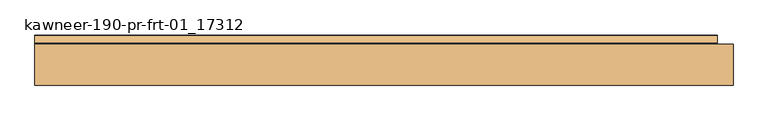
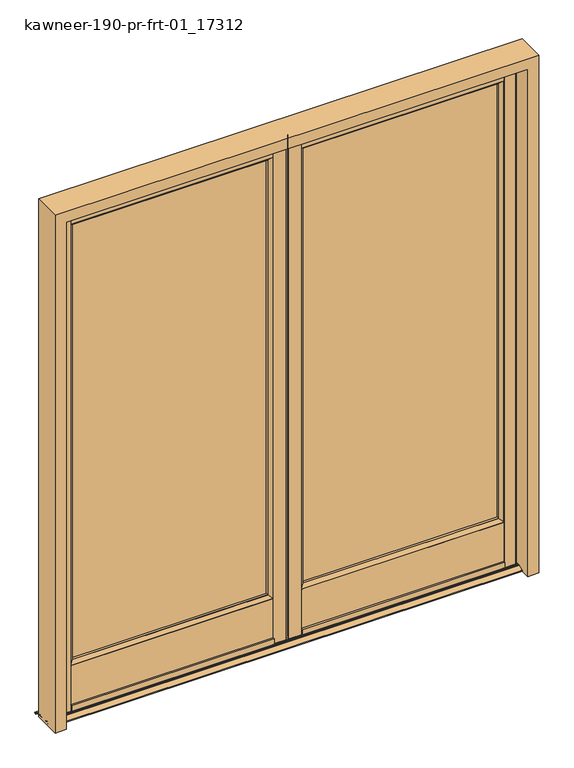
"""IFC4 building model written with IfcOpenShell, lengths in millimetres: door geometry, kawneer-190-pr-frt-01_17312."""

from ifc_helpers import new_model, si_unit, point, frame, frame_2d, origin, place, context, project, spatial, polyline, circle_curve, trimmed, segment, composite_curve, outline, extrude, source, transform, mapped, element, save


def kawneer_190_pr_frt_01_17312_b1ca8411(model_context):
    return source(origin(), model_context, "Body", "SweptSolid", [
        extrude(outline(composite_curve([segment(polyline([(-1.759626, 38.1), (-6.4969276, 38.1)]), True, "CONTINUOUS"), segment(trimmed(circle_curve(frame_2d((-8.096926, 38.0746)), 1.6002), [point((-6.4969276, 38.1))], [point((-9.697126, 38.0746))], True, "CARTESIAN"), True, "CONTINUOUS"), segment(polyline([(-9.697126, 38.0746), (-9.697126, 25.4254)]), True, "CONTINUOUS"), segment(trimmed(circle_curve(frame_2d((-8.096926, 25.4254)), 1.6002), [point((-9.697126, 25.4254))], [point((-6.4969276, 25.4))], True, "CARTESIAN"), True, "CONTINUOUS"), segment(polyline([(-6.4969276, 25.4), (-1.759626, 25.4)]), True, "CONTINUOUS"), segment(trimmed(circle_curve(frame_2d((-60.152874, 31.75)), 58.7375), [point((-1.759626, 25.4))], [point((-5.7824267, 9.5250508))], False, "CARTESIAN"), True, "CONTINUOUS"), segment(polyline([(-5.7824267, 9.5250508), (-55.734626, 9.5250508), (-55.734626, 11.1729271), (-69.196626, 22.3393), (-69.196626, 23.8923521)]), True, "CONTINUOUS"), segment(trimmed(circle_curve(frame_2d((-76.5727885, 21.5026898)), 7.7535965), [point((-69.196626, 23.8923521))], [point((-73.3947437, 28.5750508))], True, "CARTESIAN"), True, "CONTINUOUS"), segment(polyline([(-73.3947437, 28.5750508), (-60.497126, 28.5750508), (-60.497126, 34.9249492), (-73.3947437, 34.9249492)]), True, "CONTINUOUS"), segment(trimmed(circle_curve(frame_2d((-76.5727885, 41.9973102)), 7.7535965), [point((-73.3947437, 34.9249492))], [point((-69.196626, 39.6076479))], True, "CARTESIAN"), True, "CONTINUOUS"), segment(polyline([(-69.196626, 39.6076479), (-69.196626, 41.1607), (-55.734626, 52.3270729), (-55.734626, 53.9750508), (-5.7824682, 53.9750508)]), True, "CONTINUOUS"), segment(trimmed(circle_curve(frame_2d((-60.152874, 31.75)), 58.7375), [point((-5.7824682, 53.9750508))], [point((-1.759626, 38.1))], False, "CARTESIAN"), True, "CONTINUOUS")], self_intersect=False)), frame((0.0, 0.0, 17.4625), z_axis=(0.0, 0.0, 1.0), x_axis=(1.0, 0.0, 0.0)), (0.0, 0.0, 1.0), 2116.1375),
        extrude(outline(composite_curve([segment(trimmed(circle_curve(frame_2d((60.152874, 31.75)), 58.7375), [point((1.759626, 38.1))], [point((5.7824682, 53.9750508))], False, "CARTESIAN"), True, "CONTINUOUS"), segment(polyline([(5.7824682, 53.9750508), (55.734626, 53.9750508), (55.734626, 52.3270729), (69.196626, 41.1607), (69.196626, 39.6076479)]), True, "CONTINUOUS"), segment(trimmed(circle_curve(frame_2d((76.5727885, 41.9973102)), 7.7535965), [point((69.196626, 39.6076479))], [point((73.3947437, 34.9249492))], True, "CARTESIAN"), True, "CONTINUOUS"), segment(polyline([(73.3947437, 34.9249492), (60.497126, 34.9249492), (60.497126, 28.5750508), (73.3947437, 28.5750508)]), True, "CONTINUOUS"), segment(trimmed(circle_curve(frame_2d((76.5727885, 21.5026898)), 7.7535965), [point((73.3947437, 28.5750508))], [point((69.196626, 23.8923521))], True, "CARTESIAN"), True, "CONTINUOUS"), segment(polyline([(69.196626, 23.8923521), (69.196626, 22.3393), (55.734626, 11.1729271), (55.734626, 9.5250508), (5.7824267, 9.5250508)]), True, "CONTINUOUS"), segment(trimmed(circle_curve(frame_2d((60.152874, 31.75)), 58.7375), [point((5.7824267, 9.5250508))], [point((1.759626, 25.4))], False, "CARTESIAN"), True, "CONTINUOUS"), segment(polyline([(1.759626, 25.4), (6.4969276, 25.4)]), True, "CONTINUOUS"), segment(trimmed(circle_curve(frame_2d((8.096926, 25.4254)), 1.6002), [point((6.4969276, 25.4))], [point((9.697126, 25.4254))], True, "CARTESIAN"), True, "CONTINUOUS"), segment(polyline([(9.697126, 25.4254), (9.697126, 38.0746)]), True, "CONTINUOUS"), segment(trimmed(circle_curve(frame_2d((8.096926, 38.0746)), 1.6002), [point((9.697126, 38.0746))], [point((6.4969276, 38.1))], True, "CARTESIAN"), True, "CONTINUOUS"), segment(polyline([(6.4969276, 38.1), (1.759626, 38.1)]), True, "CONTINUOUS")], self_intersect=False)), frame((0.0, 0.0, 17.4625), z_axis=(0.0, 0.0, 1.0), x_axis=(1.0, 0.0, 0.0)), (0.0, 0.0, 1.0), 2116.1375),
        extrude(outline(composite_curve([segment(polyline([(-864.3938516, 53.9750508), (-864.3938516, 52.3270734), (-851.2187255, 41.1607508), (-851.2187255, 38.7647667), (-847.8229674, 34.9249492), (-859.9182255, 34.9249492), (-859.9182255, 28.5750508), (-847.851787, 28.5750508), (-851.2187255, 24.733766), (-851.2187255, 22.3393508), (-864.3938516, 11.172952), (-864.3938516, 9.4512074), (-911.2994948, 9.4512074)]), True, "CONTINUOUS"), segment(trimmed(circle_curve(frame_2d((-911.2994948, 14.1811209)), 4.7299135), [point((-911.2994948, 9.4512074))], [point((-916.0294083, 14.1811209))], False, "CARTESIAN"), True, "CONTINUOUS"), segment(polyline([(-916.0294083, 14.1811209), (-918.5227652, 52.7840713), (-918.5227652, 53.9750508), (-864.3938516, 53.9750508)]), True, "CONTINUOUS")], self_intersect=False)), frame((0.0, 0.0, 17.4625), z_axis=(0.0, 0.0, 1.0), x_axis=(1.0, 0.0, 0.0)), (0.0, 0.0, 1.0), 2116.1375),
        extrude(outline(composite_curve([segment(polyline([(864.3938516, 53.9750508), (918.36875, 53.9750508), (916.0599417, 14.2959337)]), True, "CONTINUOUS"), segment(trimmed(circle_curve(frame_2d((911.2890588, 14.2959337)), 4.7708829), [point((916.0599417, 14.2959337))], [point((911.2890588, 9.5250508))], False, "CARTESIAN"), True, "CONTINUOUS"), segment(polyline([(911.2890588, 9.5250508), (864.3938516, 9.5250508), (864.3938516, 12.6999492), (850.9318516, 22.3393508), (850.9318516, 24.733766), (847.5649131, 28.5750508), (864.3938516, 28.5750508), (864.3938516, 34.9249492), (847.5360934, 34.9249492), (850.9318516, 38.7647667), (850.9318516, 41.1607508), (864.3938516, 52.3270734), (864.3938516, 53.9750508)]), True, "CONTINUOUS")], self_intersect=False)), frame((0.0, 0.0, 17.4625), z_axis=(0.0, 0.0, 1.0), x_axis=(1.0, 0.0, 0.0)), (0.0, 0.0, 1.0), 2116.1375),
        extrude(outline(polyline([(0.0, 920.75), (0.0, 965.2), (2184.4, 965.2), (2184.4, -965.2), (0.0, -965.2), (0.0, -920.75), (2139.95, -920.75), (2139.95, 920.75), (0.0, 920.75)])), frame((0.0, -57.15, 0.0), z_axis=(0.0, 1.0, 0.0), x_axis=(0.0, 0.0, 1.0)), (0.0, 0.0, 1.0), 114.3),
        extrude(outline(polyline([(-60.497126, 28.5750508), (-859.6313516, 28.5750508), (-859.6313516, 34.9249492), (-60.497126, 34.9249492), (-60.497126, 28.5750508)])), frame((0.0, 0.0, 212.725), z_axis=(0.0, 0.0, 1.0), x_axis=(1.0, 0.0, 0.0)), (0.0, 0.0, 1.0), 1852.6126016),
        extrude(outline(polyline([(863.6, 28.5750508), (60.497126, 28.5750508), (60.497126, 34.9249492), (863.6, 34.9249492), (863.6, 28.5750508)])), frame((0.0, 0.0, 212.725), z_axis=(0.0, 0.0, 1.0), x_axis=(1.0, 0.0, 0.0)), (0.0, 0.0, 1.0), 1852.6126016),
        extrude(outline(polyline([(9.5250508, 2070.1001016), (9.5250508, 2133.6), (11.1729271, 2133.6), (11.1729271, 2111.375), (52.3270729, 2111.375), (52.3270729, 2133.6), (53.9750508, 2133.6), (53.9750508, 2070.1001016), (52.369004, 2070.1001016), (41.2026052, 2056.6381016), (38.7647667, 2056.6381016), (34.9249492, 2052.9504089), (34.9249492, 2065.3376016), (28.5750508, 2065.3376016), (28.5750508, 2053.2678495), (24.7299263, 2056.6381016), (22.3466587, 2056.6381016), (11.1802599, 2070.1001016), (9.5250508, 2070.1001016)])), frame((-864.3938516, 0.0, 0.0), z_axis=(1.0, 0.0, 0.0), x_axis=(0.0, 1.0, 0.0)), (0.0, 0.0, 1.0), 808.6592256),
        extrude(outline(polyline([(9.5250508, 2070.1001016), (9.5250508, 2133.6), (11.1729271, 2133.6), (11.1729271, 2111.375), (52.3270729, 2111.375), (52.3270729, 2133.6), (53.9750508, 2133.6), (53.9750508, 2070.1001016), (52.369004, 2070.1001016), (41.2026052, 2056.6381016), (38.7647667, 2056.6381016), (34.9249492, 2052.9504089), (34.9249492, 2065.3376016), (28.5750508, 2065.3376016), (28.5750508, 2053.2678495), (24.7299263, 2056.6381016), (22.3466587, 2056.6381016), (11.1802599, 2070.1001016), (9.5250508, 2070.1001016)])), frame((55.734626, 0.0, 0.0), z_axis=(1.0, 0.0, 0.0), x_axis=(0.0, 1.0, 0.0)), (0.0, 0.0, 1.0), 808.6592256),
        extrude(outline(composite_curve([segment(polyline([(53.9750508, 207.9625), (53.9750508, 17.4625), (51.1302508, 17.4625), (51.1302508, 35.7188008), (13.0302508, 35.7188008), (13.0302508, 17.4625), (9.5250508, 17.4625), (9.5250508, 20.2184), (7.7863094, 20.2184), (9.8766331, 14.8248489)]), True, "CONTINUOUS"), segment(trimmed(circle_curve(frame_2d((9.1997712, 14.5625244)), 0.7259174), [point((9.8766331, 14.8248489))], [point((8.5229094, 14.3002))], False, "CARTESIAN"), True, "CONTINUOUS"), segment(polyline([(8.5229094, 14.3002), (5.5003094, 20.2184), (3.4683094, 20.2184), (3.4683094, 42.6871902), (9.5250508, 44.3201352), (9.5250508, 207.9625), (11.454353, 207.9625), (22.6695508, 221.4833625), (23.5621013, 221.4833625)]), True, "CONTINUOUS"), segment(trimmed(circle_curve(frame_2d((21.172439, 228.859525)), 7.7535965), [point((23.5621013, 221.4833625))], [point((28.5750508, 226.5530998))], True, "CARTESIAN"), True, "CONTINUOUS"), segment(polyline([(28.5750508, 226.5530998), (28.5750508, 212.725), (34.9249492, 212.725), (34.9249492, 226.5530998)]), True, "CONTINUOUS"), segment(trimmed(circle_curve(frame_2d((42.327561, 228.859525)), 7.7535965), [point((34.9249492, 226.5530998))], [point((39.9378987, 221.4833625))], True, "CARTESIAN"), True, "CONTINUOUS"), segment(polyline([(39.9378987, 221.4833625), (41.4909508, 221.4833625), (52.3270734, 207.9625), (53.9750508, 207.9625)]), True, "CONTINUOUS")], self_intersect=False), holes=[composite_curve([segment(polyline([(50.8000508, 38.8938008), (50.8000508, 195.2879)]), True, "CONTINUOUS"), segment(trimmed(circle_curve(frame_2d((49.7306962, 198.4629)), 3.3502454), [point((50.8000508, 195.2879))], [point((46.3804508, 198.4629))], False, "CARTESIAN"), True, "CONTINUOUS"), segment(polyline([(46.3804508, 198.4629), (46.3804508, 203.2), (17.7800508, 203.2), (17.7800508, 198.4629)]), True, "CONTINUOUS"), segment(trimmed(circle_curve(frame_2d((14.4298054, 198.4629)), 3.3502454), [point((17.7800508, 198.4629))], [point((13.3604508, 195.2879))], False, "CARTESIAN"), True, "CONTINUOUS"), segment(polyline([(13.3604508, 195.2879), (13.3604508, 38.8938008), (50.8000508, 38.8938008)]), True, "CONTINUOUS")], self_intersect=False)]), frame((-864.3938516, 0.0, 0.0), z_axis=(1.0, 0.0, 0.0), x_axis=(0.0, 1.0, 0.0)), (0.0, 0.0, 1.0), 808.6592256),
        extrude(outline(composite_curve([segment(polyline([(53.9750508, 207.9625), (53.9750508, 17.4625), (51.1302508, 17.4625), (51.1302508, 35.7188008), (13.0302508, 35.7188008), (13.0302508, 17.4625), (9.5250508, 17.4625), (9.5250508, 20.2184), (7.7863094, 20.2184), (9.8766331, 14.8248489)]), True, "CONTINUOUS"), segment(trimmed(circle_curve(frame_2d((9.1997712, 14.5625244)), 0.7259174), [point((9.8766331, 14.8248489))], [point((8.5229094, 14.3002))], False, "CARTESIAN"), True, "CONTINUOUS"), segment(polyline([(8.5229094, 14.3002), (5.5003094, 20.2184), (3.4683094, 20.2184), (3.4683094, 42.6871902), (9.5250508, 44.3201352), (9.5250508, 207.9625), (11.454353, 207.9625), (22.6695508, 221.4833625), (23.5621013, 221.4833625)]), True, "CONTINUOUS"), segment(trimmed(circle_curve(frame_2d((21.172439, 228.859525)), 7.7535965), [point((23.5621013, 221.4833625))], [point((28.5750508, 226.5530998))], True, "CARTESIAN"), True, "CONTINUOUS"), segment(polyline([(28.5750508, 226.5530998), (28.5750508, 212.725), (34.9249492, 212.725), (34.9249492, 226.5530998)]), True, "CONTINUOUS"), segment(trimmed(circle_curve(frame_2d((42.327561, 228.859525)), 7.7535965), [point((34.9249492, 226.5530998))], [point((39.9378987, 221.4833625))], True, "CARTESIAN"), True, "CONTINUOUS"), segment(polyline([(39.9378987, 221.4833625), (41.4909508, 221.4833625), (52.3270734, 207.9625), (53.9750508, 207.9625)]), True, "CONTINUOUS")], self_intersect=False), holes=[composite_curve([segment(polyline([(50.8000508, 38.8938008), (50.8000508, 195.2879)]), True, "CONTINUOUS"), segment(trimmed(circle_curve(frame_2d((49.7306962, 198.4629)), 3.3502454), [point((50.8000508, 195.2879))], [point((46.3804508, 198.4629))], False, "CARTESIAN"), True, "CONTINUOUS"), segment(polyline([(46.3804508, 198.4629), (46.3804508, 203.2), (17.7800508, 203.2), (17.7800508, 198.4629)]), True, "CONTINUOUS"), segment(trimmed(circle_curve(frame_2d((14.4298054, 198.4629)), 3.3502454), [point((17.7800508, 198.4629))], [point((13.3604508, 195.2879))], False, "CARTESIAN"), True, "CONTINUOUS"), segment(polyline([(13.3604508, 195.2879), (13.3604508, 38.8938008), (50.8000508, 38.8938008)]), True, "CONTINUOUS")], self_intersect=False)]), frame((55.734626, 0.0, 0.0), z_axis=(1.0, 0.0, 0.0), x_axis=(0.0, 1.0, 0.0)), (0.0, 0.0, 1.0), 808.6592256),
        extrude(outline(composite_curve([segment(polyline([(62.1110923, 8.6868), (51.6443422, 8.6868), (51.6443422, 7.2370753), (11.9949422, 7.2370753), (11.9949422, 8.6868), (1.5535922, 8.6868), (-10.8883629, 2.9615256)]), True, "CONTINUOUS"), segment(trimmed(circle_curve(frame_2d((-10.2300578, 1.5309211)), 1.5748), [point((-10.8883629, 2.9615256))], [point((-11.8048578, 1.5309211))], True, "CARTESIAN"), True, "CONTINUOUS"), segment(polyline([(-11.8048578, 1.5309211), (-11.8048578, 0.0), (-18.9676578, 0.0), (-18.9676578, 2.5920957)]), True, "CONTINUOUS"), segment(trimmed(circle_curve(frame_2d((-18.1548578, 2.5920957)), 0.8128), [point((-18.9676578, 2.5920957))], [point((-18.4946282, 3.3304722))], False, "CARTESIAN"), True, "CONTINUOUS"), segment(polyline([(-18.4946282, 3.3304722), (1.8668841, 12.7), (5.3434132, 12.7)]), True, "CONTINUOUS"), segment(trimmed(circle_curve(frame_2d((6.1562132, 12.7)), 0.8128), [point((5.3434132, 12.7))], [point((6.9690132, 12.7))], True, "CARTESIAN"), True, "CONTINUOUS"), segment(polyline([(6.9690132, 12.7), (10.8806132, 12.7)]), True, "CONTINUOUS"), segment(trimmed(circle_curve(frame_2d((11.6934132, 12.7)), 0.8128), [point((10.8806132, 12.7))], [point((12.5062132, 12.7))], True, "CARTESIAN"), True, "CONTINUOUS"), segment(polyline([(12.5062132, 12.7), (15.9573422, 12.7), (15.9573422, 11.43), (47.7073422, 11.43), (47.7073422, 12.7), (51.1584713, 12.7)]), True, "CONTINUOUS"), segment(trimmed(circle_curve(frame_2d((51.9712713, 12.7)), 0.8128), [point((51.1584713, 12.7))], [point((52.7840713, 12.7))], True, "CARTESIAN"), True, "CONTINUOUS"), segment(polyline([(52.7840713, 12.7), (56.6956713, 12.7)]), True, "CONTINUOUS"), segment(trimmed(circle_curve(frame_2d((57.5084713, 12.7)), 0.8128), [point((56.6956713, 12.7))], [point((58.3212713, 12.7))], True, "CARTESIAN"), True, "CONTINUOUS"), segment(polyline([(58.3212713, 12.7), (61.7978004, 12.7), (82.1593127, 3.3304722)]), True, "CONTINUOUS"), segment(trimmed(circle_curve(frame_2d((81.8195422, 2.5920957)), 0.8128), [point((82.1593127, 3.3304722))], [point((82.6323422, 2.5920957))], False, "CARTESIAN"), True, "CONTINUOUS"), segment(polyline([(82.6323422, 2.5920957), (82.6323422, 0.0), (75.4695422, 0.0), (75.4695422, 1.5309211)]), True, "CONTINUOUS"), segment(trimmed(circle_curve(frame_2d((73.8947422, 1.5309211)), 1.5748), [point((75.4695422, 1.5309211))], [point((74.5530474, 2.9615256))], True, "CARTESIAN"), True, "CONTINUOUS"), segment(polyline([(74.5530474, 2.9615256), (62.1110923, 8.6868)]), True, "CONTINUOUS")], self_intersect=False)), frame((-965.2, 0.0, 0.0), z_axis=(1.0, 0.0, 0.0), x_axis=(0.0, 1.0, 0.0)), (0.0, 0.0, 1.0), 1885.95),
    ])


if __name__ == "__main__":
    model = new_model("IFC4")
    model_context = context("Model", 3, world=origin())
    ifc_project = project(units=[si_unit("LENGTHUNIT", "METRE", prefix="MILLI")], contexts=[model_context])
    site = spatial("IfcSite", under=ifc_project)
    building = spatial("IfcBuilding", under=site)
    placement = place(None, origin())
    kawneer_190_pr_frt_01_17312_shape = kawneer_190_pr_frt_01_17312_b1ca8411(model_context)
    element("IfcDoor", 1, ObjectType="kawneer-190-pr-frt-01_17312", at=placement, inside=building, context=model_context, shape_type="MappedRepresentation", body=[
        mapped(kawneer_190_pr_frt_01_17312_shape, transform((0.0, 0.0, 0.0), x_axis=(1.0, 0.0, 0.0), y_axis=(0.0, 1.0, 0.0), z_axis=(0.0, 0.0, 1.0))),
    ])
    save(model, "model.ifc")
